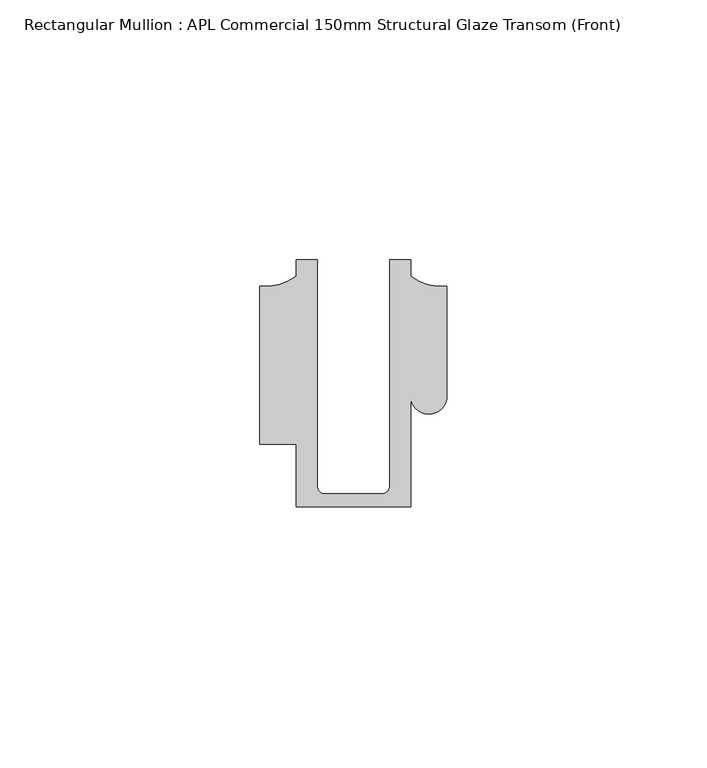
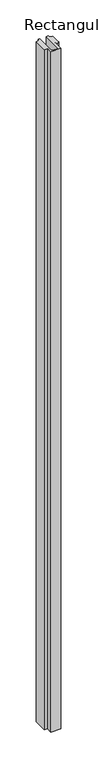
"""IFC4 building model written with IfcOpenShell, lengths in millimetres: member geometry, Rectangular Mullion : APL Commercial 150mm Structural Glaze Transom (Front)."""

import ifcopenshell
import ifcopenshell.guid

model = None  # the IFC model being written
_history = None  # IfcOwnerHistory: only IFC2X3 demands one
_inside = {}  # id of a spatial element -> (the spatial element, [elements in it])
_under = {}  # id of a project, library or spatial element -> (it, [spatial elements below it])
_declared = {}  # id of a project -> (the project, [libraries it declares])
_typed = {}  # id of a type object -> (the type object, [elements of that type])
_made_of = {}  # id of a material, layer set ... -> (it, [elements and type objects made of it])


def new_model(schema):
    """Start an empty IFC model of exactly this schema.

    Asked for "IFC4X3", IfcOpenShell would pick the latest addendum, in which some entities
    have other attributes; the version numbers below select the first issue.
    IFC2X3 requires an IfcOwnerHistory on every rooted entity: one is made here for all.
    """
    global model, _history
    if schema == "IFC4X3":
        model = ifcopenshell.file(schema_version=(4, 3, 0, 0))
    else:
        model = ifcopenshell.file(schema=schema)
    _inside.clear()
    _under.clear()
    _declared.clear()
    _typed.clear()
    _made_of.clear()
    _history = None
    if model.schema == "IFC2X3":
        org = make("IfcOrganization", Name="unknown")
        user = make(
            "IfcPersonAndOrganization",
            ThePerson=make("IfcPerson", FamilyName="unknown"),
            TheOrganization=org,
        )
        app = make(
            "IfcApplication",
            ApplicationDeveloper=org,
            Version="unknown",
            ApplicationFullName="unknown",
            ApplicationIdentifier="unknown",
        )
        _history = make(
            "IfcOwnerHistory",
            OwningUser=user,
            OwningApplication=app,
            ChangeAction="ADDED",
            CreationDate=0,
        )
    return model


def make(cls, **values):
    """One entity of the class cls with the attributes given. An attribute that is None is left unset."""
    return model.create_entity(
        cls, **{name: value for name, value in values.items() if value is not None}
    )


def rooted(cls, **values):
    """An entity with a GlobalId (a new one), such as an element, a storey or a relation."""
    return make(cls, GlobalId=ifcopenshell.guid.new(), OwnerHistory=_history, **values)


def si_unit(unit_type, name, prefix=None):
    """IfcSIUnit, for example si_unit("LENGTHUNIT", "METRE", prefix="MILLI")."""
    return make("IfcSIUnit", UnitType=unit_type, Prefix=prefix, Name=name)


def assignment(units):
    """IfcUnitAssignment: the units of a project."""
    return None if units is None else make("IfcUnitAssignment", Units=units)


def point(xyz):
    """IfcCartesianPoint."""
    return None if xyz is None else make("IfcCartesianPoint", Coordinates=xyz)


def direction(xyz):
    """IfcDirection."""
    return None if xyz is None else make("IfcDirection", DirectionRatios=xyz)


def frame(location, z_axis=None, x_axis=None):
    """IfcAxis2Placement3D, a coordinate frame: its origin and axes. An axis left out is left unset."""
    return make(
        "IfcAxis2Placement3D",
        Location=point(location),
        Axis=direction(z_axis),
        RefDirection=direction(x_axis),
    )


def origin():
    """The frame at (0, 0, 0) with its axes left unset."""
    return frame((0.0, 0.0, 0.0))


def place(relative_to, where):
    """IfcLocalPlacement: puts the frame where relative to a parent placement (None: the world)."""
    return make(
        "IfcLocalPlacement", PlacementRelTo=relative_to, RelativePlacement=where
    )


def context(
    kind, dimensions, precision=None, world=None, true_north=None, identifier=None
):
    """IfcGeometricRepresentationContext, for example the 3D "Model" context."""
    return make(
        "IfcGeometricRepresentationContext",
        ContextIdentifier=identifier,
        ContextType=kind,
        CoordinateSpaceDimension=dimensions,
        Precision=precision,
        WorldCoordinateSystem=world,
        TrueNorth=true_north,
    )


def project(units=None, contexts=None):
    """IfcProject with its units and contexts."""
    return rooted(
        "IfcProject",
        Name="project",
        RepresentationContexts=contexts,
        UnitsInContext=assignment(units),
    )


def spatial(cls, under=None, at=None, **own):
    """A site, building, storey or space (cls), placed at a placement, below another one or the project."""
    s = rooted(cls, ObjectPlacement=at, **own)
    if under is not None:
        _under.setdefault(under.id(), (under, []))[1].append(s)
    return s


def polyline(points):
    """IfcPolyline through the points."""
    return make("IfcPolyline", Points=[point(p) for p in points])


def circle_curve(where, radius):
    """IfcCircle in the frame where."""
    return make("IfcCircle", Position=where, Radius=radius)


def shape(context_of_items, identifier, shape_type, items):
    """IfcShapeRepresentation: the items that make up one representation, for example the "Body"."""
    return make(
        "IfcShapeRepresentation",
        ContextOfItems=context_of_items,
        RepresentationIdentifier=identifier,
        RepresentationType=shape_type,
        Items=items,
    )


def source(mapping_origin, context_of_items, identifier, shape_type, items):
    """IfcRepresentationMap: a shape defined once, which mapped items show again and again."""
    return make(
        "IfcRepresentationMap",
        MappingOrigin=mapping_origin,
        MappedRepresentation=shape(context_of_items, identifier, shape_type, items),
    )


def transform(
    local_origin,
    x_axis=None,
    y_axis=None,
    z_axis=None,
    scale=None,
    scale2=None,
    scale3=None,
    uniform=True,
):
    """IfcCartesianTransformationOperator3D, or its non-uniform kind. x_axis, y_axis, z_axis: its Axis1, 2, 3."""
    if uniform:
        return make(
            "IfcCartesianTransformationOperator3D",
            Axis1=direction(x_axis),
            Axis2=direction(y_axis),
            LocalOrigin=point(local_origin),
            Scale=scale,
            Axis3=direction(z_axis),
        )
    return make(
        "IfcCartesianTransformationOperator3DnonUniform",
        Axis1=direction(x_axis),
        Axis2=direction(y_axis),
        LocalOrigin=point(local_origin),
        Scale=scale,
        Axis3=direction(z_axis),
        Scale2=scale2,
        Scale3=scale3,
    )


def mapped(mapping_source, mapping_target):
    """IfcMappedItem: shows the shape of a source again, moved by a transform."""
    return make(
        "IfcMappedItem", MappingSource=mapping_source, MappingTarget=mapping_target
    )


def made_of(thing, what):
    """Note that an element or type object is made of a material, layer set ...; save() writes the relation."""
    if what is not None:
        _made_of.setdefault(what.id(), (what, []))[1].append(thing)
    return thing


def element(
    cls,
    number,
    at=None,
    inside=None,
    cuts=None,
    type_object=None,
    material=None,
    context=None,
    identifier="Body",
    shape_type=None,
    held_by="IfcProductDefinitionShape",
    body=None,
    shapes=None,
    **own,
):
    """One element of the class cls, such as IfcWall. Its Tag is "e" and its number.

    at: its placement. inside: the storey or other place that contains it. cuts: it is an
    opening in that element (IfcRelVoidsElement). A single representation is given by context,
    identifier, shape_type and body (its items); several are given by shapes. held_by: the class
    of the entity that holds the representations. save() writes the other relations.
    """
    e = rooted(cls, Tag="e%d" % number, ObjectPlacement=at, **own)
    if body is not None:
        shapes = [shape(context, identifier, shape_type, body)]
    if shapes is not None:
        e.Representation = make(held_by, Representations=shapes)
    if inside is not None:
        _inside.setdefault(inside.id(), (inside, []))[1].append(e)
    if cuts is not None:
        rooted(
            "IfcRelVoidsElement", RelatingBuildingElement=cuts, RelatedOpeningElement=e
        )
    if type_object is not None:
        _typed.setdefault(type_object.id(), (type_object, []))[1].append(e)
    return made_of(e, material)


def aggregate(whole, parts):
    """IfcRelAggregates: a whole, such as a stair, and the parts it consists of."""
    return rooted("IfcRelAggregates", RelatingObject=whole, RelatedObjects=parts)


def save(model, path):
    """Write the relations noted so far, then the file.

    IfcRelAggregates (storeys below a building ...), IfcRelContainedInSpatialStructure (elements
    in a storey), IfcRelDefinesByType, IfcRelAssociatesMaterial and IfcRelDeclares: one each for
    every whole, place, type object, material and project.
    """
    for whole, parts in _under.values():
        aggregate(whole, parts)
    for where, things in _inside.values():
        rooted(
            "IfcRelContainedInSpatialStructure",
            RelatedElements=things,
            RelatingStructure=where,
        )
    for kind, things in _typed.values():
        rooted("IfcRelDefinesByType", RelatedObjects=things, RelatingType=kind)
    for what, things in _made_of.values():
        rooted("IfcRelAssociatesMaterial", RelatedObjects=things, RelatingMaterial=what)
    for by, libraries in _declared.values():
        rooted("IfcRelDeclares", RelatingContext=by, RelatedDefinitions=libraries)
    model.write(path)


def plane_surface(at):
    """IfcPlane: the flat surface through the origin of the frame at, square to its z axis."""
    return make("IfcPlane", Position=at)


def cylinder_surface(at, radius):
    """IfcCylindricalSurface: all points at the distance radius from the z axis of the frame at."""
    return make("IfcCylindricalSurface", Position=at, Radius=radius)


def revolved_surface(curve, axis_point, axis_direction):
    """IfcSurfaceOfRevolution: the curve turned about the line through axis_point along axis_direction."""
    return make(
        "IfcSurfaceOfRevolution",
        SweptCurve=make("IfcArbitraryOpenProfileDef", ProfileType="CURVE", Curve=curve),
        AxisPosition=make("IfcAxis1Placement", Location=point(axis_point), Axis=direction(axis_direction)),
    )


def advanced_brep(points, edges, surfaces, faces):
    """IfcAdvancedBrep: a solid bounded by faces that lie on surfaces and meet in shared edges.

    An edge is (start, end): straight between two places in points (the first is 0);
    or (start, end, curve); or (start, end, curve, False) where it runs against its curve.
    A face is (place in surfaces, loops), or (place, loops, False) where it looks against
    its surface's normal. A loop lists edges by number (the first is 1), with a minus sign
    where the edge is run from its end to its start. The first loop is the outer one.
    """
    corners = [point(p) for p in points]
    vertices = [make("IfcVertexPoint", VertexGeometry=c) for c in corners]
    made = []
    for start, end, *more in edges:
        made.append(
            make(
                "IfcEdgeCurve",
                EdgeStart=vertices[start],
                EdgeEnd=vertices[end],
                EdgeGeometry=more[0] if more else make("IfcPolyline", Points=[corners[start], corners[end]]),
                SameSense=more[1] if len(more) > 1 else True,
            )
        )
    hull = []
    for where, loops, *sense in faces:
        bounds = []
        for j, loop in enumerate(loops):
            ring = [make("IfcOrientedEdge", EdgeElement=made[abs(k) - 1], Orientation=k > 0) for k in loop]
            bounds.append(
                make(
                    "IfcFaceOuterBound" if j == 0 else "IfcFaceBound",
                    Bound=make("IfcEdgeLoop", EdgeList=ring),
                    Orientation=True,
                )
            )
        hull.append(make("IfcAdvancedFace", Bounds=bounds, FaceSurface=surfaces[where], SameSense=sense[0] if sense else True))
    return make("IfcAdvancedBrep", Outer=make("IfcClosedShell", CfsFaces=hull))


def rectangular_mullion_apl_commercial_150mm_structural_glaze_7e3408bc(model_context):
    return source(origin(), model_context, "Body", "AdvancedBrep", [
        advanced_brep(
        [(-11.0000151, -27.0, 0.0), (11.001071, -27.0, 0.0), (11.001071, -5.5848769, 0.0), (17.9999091, -5.6750512, 0.0), (17.9999542, 15.3797475, 0.0), (11.0000151, 17.3125212, 0.0), (11.0000151, 20.5, 0.0), (6.9999849, 20.5, 0.0), (6.9999849, -22.9973451, 0.0), (5.4999872, -24.5, 0.0), (-5.4999873, -24.5, 0.0), (-6.9999853, -22.9976091, 0.0), (-6.9999853, 20.5, 0.0), (-10.9999994, 20.5, 0.0), (-10.9999994, 17.3125325, 0.0), (-17.9999542, 15.3797475, 0.0), (-17.9999542, -15.0006281, 0.0), (-11.0000151, -15.0006281, 0.0), (-11.0000151, -27.0, -1568.0001218), (-11.0000151, -15.0006281, -1568.0001218), (-17.9999542, -15.0006281, -1568.0001218), (-17.9999542, 15.3797475, -1568.0001218), (-10.9999994, 17.3125325, -1568.0001218), (-10.9999994, 20.5, -1568.0001218), (-6.9999853, 20.5, -1568.0001218), (-6.9999853, -22.9976091, -1568.0001218), (-5.4999873, -24.5, -1568.0001218), (5.4999872, -24.5, -1568.0001218), (6.9999849, -22.9973451, -1568.0001218), (6.9999849, 20.5, -1568.0001218), (11.0000151, 20.5, -1568.0001218), (11.0000151, 17.3125212, -1568.0001218), (17.9999542, 15.3797475, -1568.0001218), (17.9999542, -5.684606, -1568.0001218), (11.001071, -5.5848769, -1568.0001218), (11.001071, -27.0, -1568.0001218)],
        [
            (0, 1),
            (1, 2),
            (2, 3, circle_curve(frame((14.4999091, -5.6750512, 0.0), z_axis=(0.0, 0.0, 1.0), x_axis=(-0.9999826028573957, 0.005898642432633649, 0.0)), 3.5)),
            (3, 4),
            (4, 5, circle_curve(frame((17.109817, 25.7981812, 0.0), z_axis=(0.0, 0.0, -1.0), x_axis=(0.0, -1.0, 0.0)), 10.4563907)),
            (5, 6),
            (6, 7),
            (7, 8),
            (8, 9, circle_curve(frame((5.4999872, -23.0, 0.0), z_axis=(0.0, 0.0, -1.0), x_axis=(0.9999999999999986, 5.463622857820516e-08, 0.0)), 1.5)),
            (9, 10),
            (10, 11, circle_curve(frame((-5.4999873, -23.0, 0.0), z_axis=(0.0, 0.0, -1.0), x_axis=(2.7320010112268853e-08, -0.9999999999999997, 0.0)), 1.5)),
            (11, 12),
            (12, 13),
            (13, 14),
            (14, 15, circle_curve(frame((-17.109817, 25.7981812, 0.0), z_axis=(0.0, 0.0, -1.0), x_axis=(0.0, -1.0, 0.0)), 10.4563907)),
            (15, 16),
            (16, 17),
            (17, 0),
            (18, 19),
            (19, 20),
            (20, 21),
            (21, 22, circle_curve(frame((-17.109817, 25.7981812, -1568.0001218), z_axis=(0.0, 0.0, 1.0), x_axis=(0.0, -1.0, 0.0)), 10.4563907)),
            (22, 23),
            (23, 24),
            (24, 25),
            (25, 26, circle_curve(frame((-5.4999873, -23.0, -1568.0001218), z_axis=(0.0, 0.0, 1.0), x_axis=(2.7320010112268853e-08, -0.9999999999999997, 0.0)), 1.5)),
            (26, 27),
            (27, 28, circle_curve(frame((5.4999872, -23.0, -1568.0001218), z_axis=(0.0, 0.0, 1.0), x_axis=(0.9999999999999986, 5.463622857820516e-08, 0.0)), 1.5)),
            (28, 29),
            (29, 30),
            (30, 31),
            (31, 32, circle_curve(frame((17.109817, 25.7981812, -1568.0001218), z_axis=(0.0, 0.0, 1.0), x_axis=(0.0, -1.0, 0.0)), 10.4563907)),
            (32, 33),
            (33, 34, circle_curve(frame((14.4999091, -5.6750512, -1568.0001218), z_axis=(0.0, 0.0, -1.0), x_axis=(-0.9999826028573957, 0.005898642432633649, 0.0)), 3.5)),
            (34, 35),
            (35, 18),
            (0, 18),
            (35, 1),
            (34, 2),
            (33, 3),
            (32, 4),
            (31, 5),
            (30, 6),
            (29, 7),
            (28, 8),
            (27, 9),
            (26, 10),
            (25, 11),
            (24, 12),
            (23, 13),
            (22, 14),
            (21, 15),
            (20, 16),
            (19, 17),
        ],
        [
            plane_surface(frame((0.0, -29.1551636, 0.0), z_axis=(0.0, 0.0, 1.0), x_axis=(-1.0, 0.0, 0.0))),
            plane_surface(frame((0.0, -29.1551636, -1568.0001218), z_axis=(0.0, 0.0, -1.0), x_axis=(-1.0, 0.0, 0.0))),
            plane_surface(frame((-11.0000151, -27.0, 0.0), z_axis=(0.0, -1.0, 0.0), x_axis=(0.0, 0.0, -1.0))),
            plane_surface(frame((11.001071, -27.0, 0.0), z_axis=(1.0, 0.0, 0.0), x_axis=(0.0, 0.0, -1.0))),
            cylinder_surface(frame((14.4999091, -5.6750512, 0.0), z_axis=(0.0, 0.0, 1.0), x_axis=(-0.9999826028573957, 0.005898642432633649, 0.0)), 3.5),
            plane_surface(frame((17.9999542, -5.684606, 0.0), z_axis=(1.0, 0.0, 0.0), x_axis=(0.0, 0.0, -1.0))),
            revolved_surface(polyline([(17.109817, 15.341790499999998, -1568.0001218), (17.109817, 15.341790499999998, 0.0)]), (17.109817, 25.7981812, 0.0), (0.0, 0.0, -1.0)),
            plane_surface(frame((11.0000151, 17.3125212, 0.0), z_axis=(1.0, 0.0, 0.0), x_axis=(0.0, 0.0, -1.0))),
            plane_surface(frame((11.0000151, 20.5, 0.0), z_axis=(0.0, 1.0, 0.0), x_axis=(0.0, 0.0, -1.0))),
            plane_surface(frame((6.9999849, 20.5, 0.0), z_axis=(-1.0, 0.0, 0.0), x_axis=(0.0, 0.0, -1.0))),
            revolved_surface(polyline([(6.999987199999998, -22.999999918045656, -1568.0001218), (6.999987199999998, -22.999999918045656, 0.0)]), (5.4999872, -23.0, 0.0), (0.0, 0.0, -1.0)),
            plane_surface(frame((5.4999872, -24.5, 0.0), z_axis=(0.0, 1.0, 0.0), x_axis=(0.0, 0.0, -1.0))),
            revolved_surface(polyline([(-5.499987259019985, -24.5, -1568.0001218), (-5.499987259019985, -24.5, 0.0)]), (-5.4999873, -23.0, 0.0), (0.0, 0.0, -1.0)),
            plane_surface(frame((-6.9999853, -22.9976091, 0.0), z_axis=(1.0, 0.0, 0.0), x_axis=(0.0, 0.0, -1.0))),
            plane_surface(frame((-6.9999853, 20.5, 0.0), z_axis=(0.0, 1.0, 0.0), x_axis=(0.0, 0.0, -1.0))),
            plane_surface(frame((-10.9999994, 20.5, 0.0), z_axis=(-1.0, 0.0, 0.0), x_axis=(0.0, 0.0, -1.0))),
            revolved_surface(polyline([(-17.109817, 15.341790499999998, -1568.0001218), (-17.109817, 15.341790499999998, 0.0)]), (-17.109817, 25.7981812, 0.0), (0.0, 0.0, -1.0)),
            plane_surface(frame((-17.9999542, 15.3797475, 0.0), z_axis=(-1.0, 0.0, 0.0), x_axis=(0.0, 0.0, -1.0))),
            plane_surface(frame((-17.9999542, -15.0006281, 0.0), z_axis=(0.0, -1.0, 0.0), x_axis=(0.0, 0.0, -1.0))),
            plane_surface(frame((-11.0000151, -15.0006281, 0.0), z_axis=(-1.0, 0.0, 0.0), x_axis=(0.0, 0.0, -1.0))),
        ],
        [
            (0, [[1, 2, 3, 4, 5, 6, 7, 8, 9, 10, 11, 12, 13, 14, 15, 16, 17, 18]]),
            (1, [[19, 20, 21, 22, 23, 24, 25, 26, 27, 28, 29, 30, 31, 32, 33, 34, 35, 36]]),
            (2, [[-1, 37, -36, 38]]),
            (3, [[-2, -38, -35, 39]]),
            (4, [[-3, -39, -34, 40]]),
            (5, [[-4, -40, -33, 41]]),
            (6, [[-5, -41, -32, 42]]),
            (7, [[-6, -42, -31, 43]]),
            (8, [[-7, -43, -30, 44]]),
            (9, [[-8, -44, -29, 45]]),
            (10, [[-9, -45, -28, 46]]),
            (11, [[-10, -46, -27, 47]]),
            (12, [[-11, -47, -26, 48]]),
            (13, [[-12, -48, -25, 49]]),
            (14, [[-13, -49, -24, 50]]),
            (15, [[-14, -50, -23, 51]]),
            (16, [[-15, -51, -22, 52]]),
            (17, [[-16, -52, -21, 53]]),
            (18, [[-17, -53, -20, 54]]),
            (19, [[-18, -54, -19, -37]]),
        ],
    ),
    ])


if __name__ == "__main__":
    model = new_model("IFC4")
    model_context = context("Model", 3, world=origin())
    ifc_project = project(units=[si_unit("LENGTHUNIT", "METRE", prefix="MILLI")], contexts=[model_context])
    site = spatial("IfcSite", under=ifc_project)
    building = spatial("IfcBuilding", under=site)
    placement = place(None, origin())
    rectangular_mullion_apl_commercial_150mm_structural_glaze_shape = rectangular_mullion_apl_commercial_150mm_structural_glaze_7e3408bc(model_context)
    element("IfcMember", 1, ObjectType="Rectangular Mullion : APL Commercial 150mm Structural Glaze Transom (Front)", at=placement, inside=building, context=model_context, shape_type="MappedRepresentation", body=[
        mapped(rectangular_mullion_apl_commercial_150mm_structural_glaze_shape, transform((0.0, 0.0, 0.0), x_axis=(1.0, 0.0, 0.0), y_axis=(0.0, 1.0, 0.0), z_axis=(0.0, 0.0, 1.0))),
    ])
    save(model, "model.ifc")
